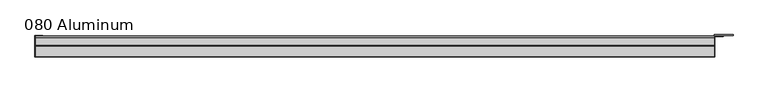
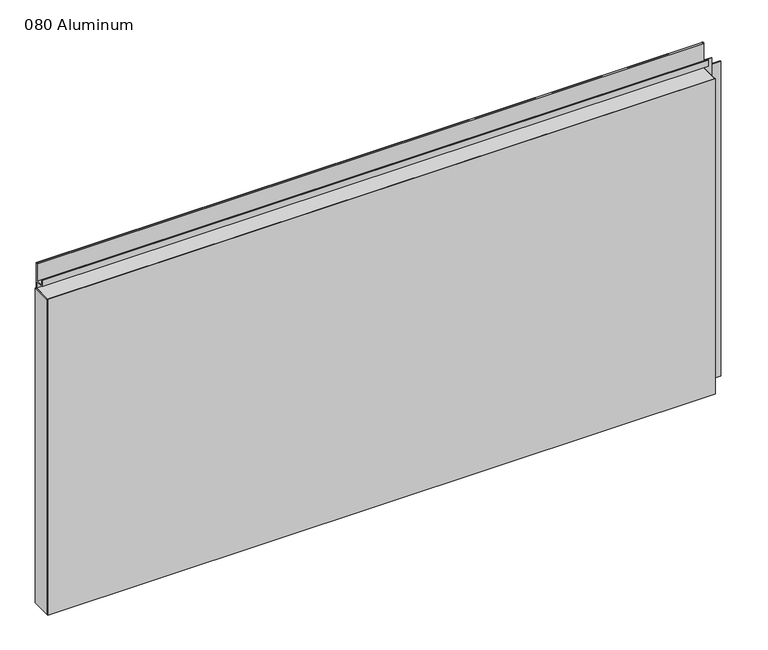
"""IFC4 building model written with IfcOpenShell, lengths in millimetres: plate geometry, 080 Aluminum."""

import ifcopenshell
import ifcopenshell.guid

model = None  # the IFC model being written
_history = None  # IfcOwnerHistory: only IFC2X3 demands one
_inside = {}  # id of a spatial element -> (the spatial element, [elements in it])
_under = {}  # id of a project, library or spatial element -> (it, [spatial elements below it])
_declared = {}  # id of a project -> (the project, [libraries it declares])
_typed = {}  # id of a type object -> (the type object, [elements of that type])
_made_of = {}  # id of a material, layer set ... -> (it, [elements and type objects made of it])


def new_model(schema):
    """Start an empty IFC model of exactly this schema.

    Asked for "IFC4X3", IfcOpenShell would pick the latest addendum, in which some entities
    have other attributes; the version numbers below select the first issue.
    IFC2X3 requires an IfcOwnerHistory on every rooted entity: one is made here for all.
    """
    global model, _history
    if schema == "IFC4X3":
        model = ifcopenshell.file(schema_version=(4, 3, 0, 0))
    else:
        model = ifcopenshell.file(schema=schema)
    _inside.clear()
    _under.clear()
    _declared.clear()
    _typed.clear()
    _made_of.clear()
    _history = None
    if model.schema == "IFC2X3":
        org = make("IfcOrganization", Name="unknown")
        user = make(
            "IfcPersonAndOrganization",
            ThePerson=make("IfcPerson", FamilyName="unknown"),
            TheOrganization=org,
        )
        app = make(
            "IfcApplication",
            ApplicationDeveloper=org,
            Version="unknown",
            ApplicationFullName="unknown",
            ApplicationIdentifier="unknown",
        )
        _history = make(
            "IfcOwnerHistory",
            OwningUser=user,
            OwningApplication=app,
            ChangeAction="ADDED",
            CreationDate=0,
        )
    return model


def make(cls, **values):
    """One entity of the class cls with the attributes given. An attribute that is None is left unset."""
    return model.create_entity(
        cls, **{name: value for name, value in values.items() if value is not None}
    )


def rooted(cls, **values):
    """An entity with a GlobalId (a new one), such as an element, a storey or a relation."""
    return make(cls, GlobalId=ifcopenshell.guid.new(), OwnerHistory=_history, **values)


def si_unit(unit_type, name, prefix=None):
    """IfcSIUnit, for example si_unit("LENGTHUNIT", "METRE", prefix="MILLI")."""
    return make("IfcSIUnit", UnitType=unit_type, Prefix=prefix, Name=name)


def assignment(units):
    """IfcUnitAssignment: the units of a project."""
    return None if units is None else make("IfcUnitAssignment", Units=units)


def point(xyz):
    """IfcCartesianPoint."""
    return None if xyz is None else make("IfcCartesianPoint", Coordinates=xyz)


def direction(xyz):
    """IfcDirection."""
    return None if xyz is None else make("IfcDirection", DirectionRatios=xyz)


def frame(location, z_axis=None, x_axis=None):
    """IfcAxis2Placement3D, a coordinate frame: its origin and axes. An axis left out is left unset."""
    return make(
        "IfcAxis2Placement3D",
        Location=point(location),
        Axis=direction(z_axis),
        RefDirection=direction(x_axis),
    )


def frame_2d(location, x_axis=None):
    """IfcAxis2Placement2D, a coordinate frame in the plane: its origin and x axis."""
    return make(
        "IfcAxis2Placement2D", Location=point(location), RefDirection=direction(x_axis)
    )


def origin():
    """The frame at (0, 0, 0) with its axes left unset."""
    return frame((0.0, 0.0, 0.0))


def origin_with_axes():
    """The frame at (0, 0, 0) with the z axis (0, 0, 1) and the x axis (1, 0, 0) written out."""
    return frame((0.0, 0.0, 0.0), z_axis=(0.0, 0.0, 1.0), x_axis=(1.0, 0.0, 0.0))


def place(relative_to, where):
    """IfcLocalPlacement: puts the frame where relative to a parent placement (None: the world)."""
    return make(
        "IfcLocalPlacement", PlacementRelTo=relative_to, RelativePlacement=where
    )


def context(
    kind, dimensions, precision=None, world=None, true_north=None, identifier=None
):
    """IfcGeometricRepresentationContext, for example the 3D "Model" context."""
    return make(
        "IfcGeometricRepresentationContext",
        ContextIdentifier=identifier,
        ContextType=kind,
        CoordinateSpaceDimension=dimensions,
        Precision=precision,
        WorldCoordinateSystem=world,
        TrueNorth=true_north,
    )


def project(units=None, contexts=None):
    """IfcProject with its units and contexts."""
    return rooted(
        "IfcProject",
        Name="project",
        RepresentationContexts=contexts,
        UnitsInContext=assignment(units),
    )


def spatial(cls, under=None, at=None, **own):
    """A site, building, storey or space (cls), placed at a placement, below another one or the project."""
    s = rooted(cls, ObjectPlacement=at, **own)
    if under is not None:
        _under.setdefault(under.id(), (under, []))[1].append(s)
    return s


def polyline(points):
    """IfcPolyline through the points."""
    return make("IfcPolyline", Points=[point(p) for p in points])


def circle_curve(where, radius):
    """IfcCircle in the frame where."""
    return make("IfcCircle", Position=where, Radius=radius)


def trimmed(basis, trim1, trim2, sense, master):
    """IfcTrimmedCurve: the piece of a basis curve between two trims."""
    return make(
        "IfcTrimmedCurve",
        BasisCurve=basis,
        Trim1=trim1,
        Trim2=trim2,
        SenseAgreement=sense,
        MasterRepresentation=master,
    )


def segment(curve, same_sense, transition):
    """IfcCompositeCurveSegment."""
    return make(
        "IfcCompositeCurveSegment",
        Transition=transition,
        SameSense=same_sense,
        ParentCurve=curve,
    )


def composite_curve(segments, self_intersect=None):
    """IfcCompositeCurve: segments joined end to end."""
    return make("IfcCompositeCurve", Segments=segments, SelfIntersect=self_intersect)


def outline(outer, holes=None, kind="AREA"):
    """IfcArbitraryClosedProfileDef: a profile drawn as a closed curve; with holes, ...WithVoids."""
    if holes is None:
        return make("IfcArbitraryClosedProfileDef", ProfileType=kind, OuterCurve=outer)
    return make(
        "IfcArbitraryProfileDefWithVoids",
        ProfileType=kind,
        OuterCurve=outer,
        InnerCurves=holes,
    )


def extrude(swept, where, along, depth):
    """IfcExtrudedAreaSolid: the profile swept, set in the frame where, extruded along a direction by depth."""
    return make(
        "IfcExtrudedAreaSolid",
        SweptArea=swept,
        Position=where,
        ExtrudedDirection=direction(along),
        Depth=depth,
    )


def shape(context_of_items, identifier, shape_type, items):
    """IfcShapeRepresentation: the items that make up one representation, for example the "Body"."""
    return make(
        "IfcShapeRepresentation",
        ContextOfItems=context_of_items,
        RepresentationIdentifier=identifier,
        RepresentationType=shape_type,
        Items=items,
    )


def source(mapping_origin, context_of_items, identifier, shape_type, items):
    """IfcRepresentationMap: a shape defined once, which mapped items show again and again."""
    return make(
        "IfcRepresentationMap",
        MappingOrigin=mapping_origin,
        MappedRepresentation=shape(context_of_items, identifier, shape_type, items),
    )


def transform(
    local_origin,
    x_axis=None,
    y_axis=None,
    z_axis=None,
    scale=None,
    scale2=None,
    scale3=None,
    uniform=True,
):
    """IfcCartesianTransformationOperator3D, or its non-uniform kind. x_axis, y_axis, z_axis: its Axis1, 2, 3."""
    if uniform:
        return make(
            "IfcCartesianTransformationOperator3D",
            Axis1=direction(x_axis),
            Axis2=direction(y_axis),
            LocalOrigin=point(local_origin),
            Scale=scale,
            Axis3=direction(z_axis),
        )
    return make(
        "IfcCartesianTransformationOperator3DnonUniform",
        Axis1=direction(x_axis),
        Axis2=direction(y_axis),
        LocalOrigin=point(local_origin),
        Scale=scale,
        Axis3=direction(z_axis),
        Scale2=scale2,
        Scale3=scale3,
    )


def mapped(mapping_source, mapping_target):
    """IfcMappedItem: shows the shape of a source again, moved by a transform."""
    return make(
        "IfcMappedItem", MappingSource=mapping_source, MappingTarget=mapping_target
    )


def made_of(thing, what):
    """Note that an element or type object is made of a material, layer set ...; save() writes the relation."""
    if what is not None:
        _made_of.setdefault(what.id(), (what, []))[1].append(thing)
    return thing


def element(
    cls,
    number,
    at=None,
    inside=None,
    cuts=None,
    type_object=None,
    material=None,
    context=None,
    identifier="Body",
    shape_type=None,
    held_by="IfcProductDefinitionShape",
    body=None,
    shapes=None,
    **own,
):
    """One element of the class cls, such as IfcWall. Its Tag is "e" and its number.

    at: its placement. inside: the storey or other place that contains it. cuts: it is an
    opening in that element (IfcRelVoidsElement). A single representation is given by context,
    identifier, shape_type and body (its items); several are given by shapes. held_by: the class
    of the entity that holds the representations. save() writes the other relations.
    """
    e = rooted(cls, Tag="e%d" % number, ObjectPlacement=at, **own)
    if body is not None:
        shapes = [shape(context, identifier, shape_type, body)]
    if shapes is not None:
        e.Representation = make(held_by, Representations=shapes)
    if inside is not None:
        _inside.setdefault(inside.id(), (inside, []))[1].append(e)
    if cuts is not None:
        rooted(
            "IfcRelVoidsElement", RelatingBuildingElement=cuts, RelatedOpeningElement=e
        )
    if type_object is not None:
        _typed.setdefault(type_object.id(), (type_object, []))[1].append(e)
    return made_of(e, material)


def aggregate(whole, parts):
    """IfcRelAggregates: a whole, such as a stair, and the parts it consists of."""
    return rooted("IfcRelAggregates", RelatingObject=whole, RelatedObjects=parts)


def save(model, path):
    """Write the relations noted so far, then the file.

    IfcRelAggregates (storeys below a building ...), IfcRelContainedInSpatialStructure (elements
    in a storey), IfcRelDefinesByType, IfcRelAssociatesMaterial and IfcRelDeclares: one each for
    every whole, place, type object, material and project.
    """
    for whole, parts in _under.values():
        aggregate(whole, parts)
    for where, things in _inside.values():
        rooted(
            "IfcRelContainedInSpatialStructure",
            RelatedElements=things,
            RelatingStructure=where,
        )
    for kind, things in _typed.values():
        rooted("IfcRelDefinesByType", RelatedObjects=things, RelatingType=kind)
    for what, things in _made_of.values():
        rooted("IfcRelAssociatesMaterial", RelatedObjects=things, RelatingMaterial=what)
    for by, libraries in _declared.values():
        rooted("IfcRelDeclares", RelatingContext=by, RelatedDefinitions=libraries)
    model.write(path)


def plate_080_aluminum_d1e6eeee(model_context):
    return source(origin(), model_context, "Body", "SweptSolid", [
        extrude(outline(polyline([(-614.68, -2.5660257), (-614.68, -38.7300001), (-615.9499999, -38.7300001), (-615.9499999, -1.2699999), (-601.7894994, -1.2699999), (-601.7894994, -2.5660257), (-614.68, -2.5660257)])), origin_with_axes(), (0.0, 0.0, 1.0), 608.33),
        extrude(outline(composite_curve([segment(polyline([(-16.6765477, 13.1458337), (-16.6765477, 2.786437), (-17.9464915, 2.786437), (-17.9464915, 13.1323356)]), True, "CONTINUOUS"), segment(trimmed(circle_curve(frame_2d((-19.8514743, 13.124237)), 1.905), [point((-17.9464915, 13.1323356))], [point((-21.7564743, 13.124237))], True, "CARTESIAN"), True, "CONTINUOUS"), segment(polyline([(-21.7564743, 13.124237), (-21.7564743, 0.0), (-38.7300002, 0.0), (-38.7300002, 1.2693678), (-23.0264743, 1.2693678), (-23.0264743, 13.124237)]), True, "CONTINUOUS"), segment(trimmed(circle_curve(frame_2d((-19.8514743, 13.124237)), 3.175), [point((-23.0264743, 13.124237))], [point((-16.6765477, 13.1458337))], False, "CARTESIAN"), True, "CONTINUOUS")], self_intersect=False)), frame((-614.68, 0.0, 0.0), z_axis=(1.0, 0.0, 0.0), x_axis=(0.0, 1.0, 0.0)), (0.0, 0.0, 1.0), 1216.66),
        extrude(outline(composite_curve([segment(polyline([(-2.0574743, 656.7932001), (-2.0574743, 608.33), (-38.7300002, 608.33), (-38.7300002, 609.6000001), (-3.3274743, 609.6000001), (-3.3274743, 656.7932001)]), True, "CONTINUOUS"), segment(trimmed(circle_curve(frame_2d((-3.7084742, 656.7932001)), 0.3809999), [point((-3.3274743, 656.7932001))], [point((-4.0894742, 656.7932001))], True, "CARTESIAN"), True, "CONTINUOUS"), segment(polyline([(-4.0894742, 656.7932001), (-4.0894742, 622.3), (-20.4864742, 622.3), (-20.4864742, 633.6538), (-19.2164743, 633.6538), (-19.2164743, 623.57), (-5.3594742, 623.57), (-5.3594742, 656.7932001)]), True, "CONTINUOUS"), segment(trimmed(circle_curve(frame_2d((-3.7084742, 656.7932001)), 1.6509999), [point((-5.3594742, 656.7932001))], [point((-2.0574743, 656.7932001))], False, "CARTESIAN"), True, "CONTINUOUS")], self_intersect=False)), frame((-614.68, 0.0, 0.0), z_axis=(1.0, 0.0, 0.0), x_axis=(0.0, 1.0, 0.0)), (0.0, 0.0, 1.0), 1216.66),
        extrude(outline(polyline([(-615.95, -40.0), (-615.95, -38.7300001), (603.25, -38.7300001), (603.25, -40.0), (-615.95, -40.0)])), origin_with_axes(), (0.0, 0.0, 1.0), 609.6),
        extrude(outline(polyline([(603.25, -1.2699999), (603.25, -38.7300002), (601.9800001, -38.7300002), (601.9800001, 0.0), (635.7620856, 0.0), (635.7620856, -1.2699999), (603.25, -1.2699999)])), origin_with_axes(), (0.0, 0.0, 1.0), 608.33),
        extrude(outline(polyline([(601.98, -3.3274743), (601.98, -2.0574743), (617.7279999, -2.0574743), (617.7279999, -3.3274743), (601.98, -3.3274743)])), origin_with_axes(), (0.0, 0.0, 1.0), 622.3),
    ])


if __name__ == "__main__":
    model = new_model("IFC4")
    model_context = context("Model", 3, world=origin())
    ifc_project = project(units=[si_unit("LENGTHUNIT", "METRE", prefix="MILLI")], contexts=[model_context])
    site = spatial("IfcSite", under=ifc_project)
    building = spatial("IfcBuilding", under=site)
    placement = place(None, origin())
    plate_080_aluminum_shape = plate_080_aluminum_d1e6eeee(model_context)
    element("IfcPlate", 1, ObjectType="080 Aluminum", at=placement, inside=building, context=model_context, shape_type="MappedRepresentation", body=[
        mapped(plate_080_aluminum_shape, transform((0.0, 0.0, 0.0), x_axis=(1.0, 0.0, 0.0), y_axis=(0.0, 1.0, 0.0), z_axis=(0.0, 0.0, 1.0))),
    ])
    save(model, "model.ifc")
